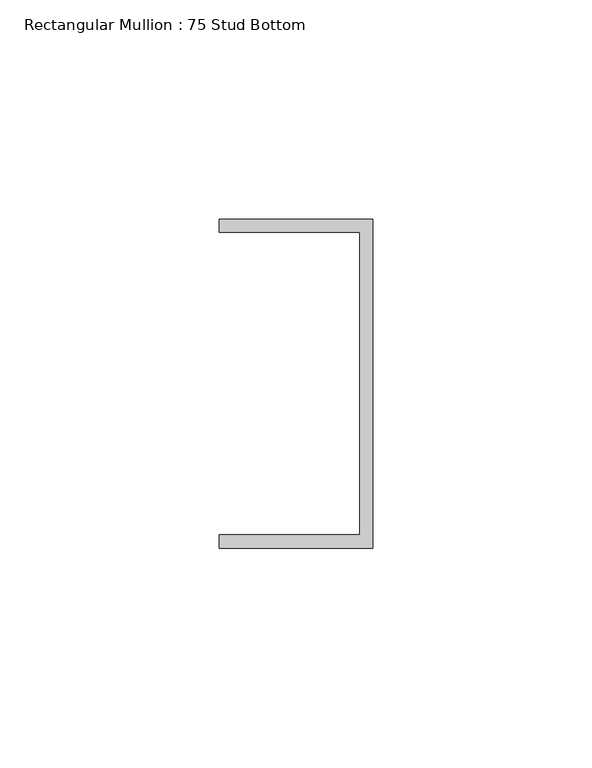
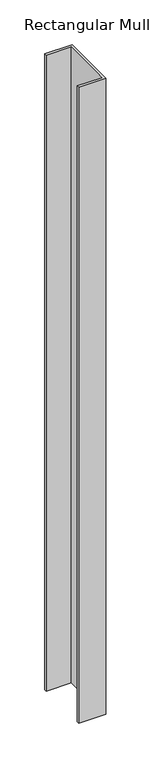
"""IFC4 building model written with IfcOpenShell, lengths in millimetres: member geometry, Rectangular Mullion : 75 Stud Bottom."""

from ifc_helpers import new_model, si_unit, frame, origin, place, context, project, spatial, polyline, outline, extrude, source, transform, mapped, element, save


def rectangular_mullion_75_stud_bottom_6be03dbc(model_context):
    return source(origin(), model_context, "Body", "SweptSolid", [
        extrude(outline(polyline([(0.0, -37.5), (-35.0, -37.5), (-35.0, -34.5), (-3.0, -34.5), (-3.0, 34.5), (-35.0, 34.5), (-35.0, 37.5), (0.0, 37.5), (0.0, -37.5)])), frame((0.0, 0.0, -865.0), z_axis=(0.0, 0.0, 1.0), x_axis=(1.0, 0.0, 0.0)), (0.0, 0.0, 1.0), 865.0),
    ])


if __name__ == "__main__":
    model = new_model("IFC4")
    model_context = context("Model", 3, world=origin())
    ifc_project = project(units=[si_unit("LENGTHUNIT", "METRE", prefix="MILLI")], contexts=[model_context])
    site = spatial("IfcSite", under=ifc_project)
    building = spatial("IfcBuilding", under=site)
    placement = place(None, origin())
    rectangular_mullion_75_stud_bottom_shape = rectangular_mullion_75_stud_bottom_6be03dbc(model_context)
    element("IfcMember", 1, ObjectType="Rectangular Mullion : 75 Stud Bottom", at=placement, inside=building, context=model_context, shape_type="MappedRepresentation", body=[
        mapped(rectangular_mullion_75_stud_bottom_shape, transform((0.0, 0.0, 0.0), x_axis=(1.0, 0.0, 0.0), y_axis=(0.0, 1.0, 0.0), z_axis=(0.0, 0.0, 1.0))),
    ])
    save(model, "model.ifc")
